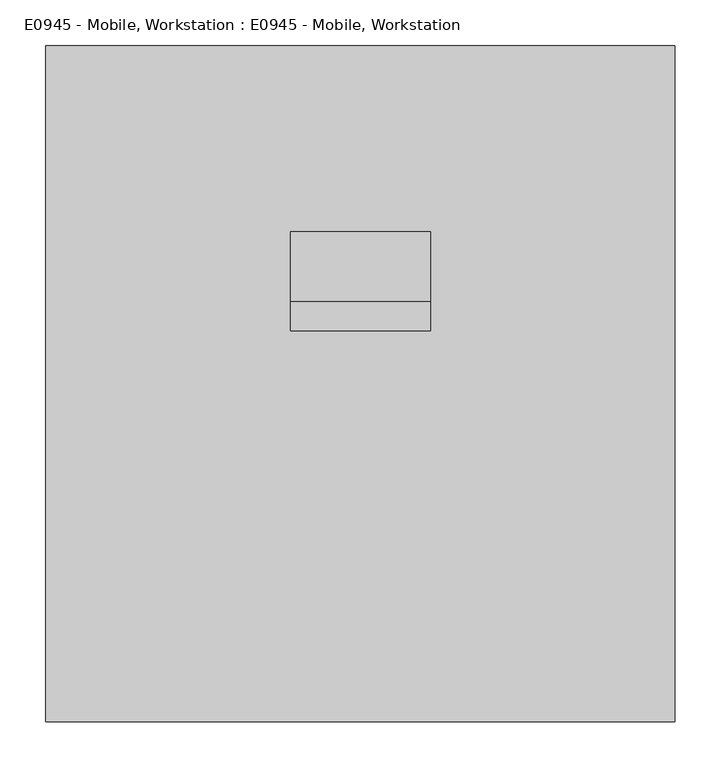
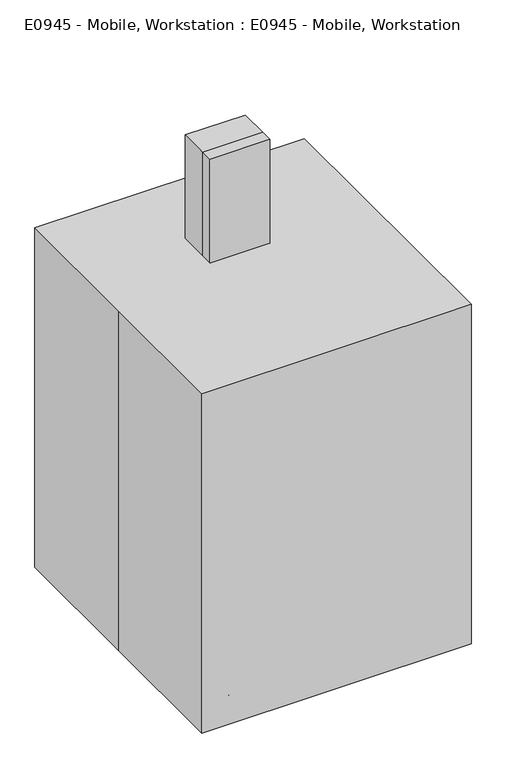
"""IFC4 building model written with IfcOpenShell, lengths in millimetres: proxy geometry, E0945 - Mobile, Workstation : E0945 - Mobile, Workstation."""

import ifcopenshell
import ifcopenshell.guid

model = None  # the IFC model being written
_history = None  # IfcOwnerHistory: only IFC2X3 demands one
_inside = {}  # id of a spatial element -> (the spatial element, [elements in it])
_under = {}  # id of a project, library or spatial element -> (it, [spatial elements below it])
_declared = {}  # id of a project -> (the project, [libraries it declares])
_typed = {}  # id of a type object -> (the type object, [elements of that type])
_made_of = {}  # id of a material, layer set ... -> (it, [elements and type objects made of it])


def new_model(schema):
    """Start an empty IFC model of exactly this schema.

    Asked for "IFC4X3", IfcOpenShell would pick the latest addendum, in which some entities
    have other attributes; the version numbers below select the first issue.
    IFC2X3 requires an IfcOwnerHistory on every rooted entity: one is made here for all.
    """
    global model, _history
    if schema == "IFC4X3":
        model = ifcopenshell.file(schema_version=(4, 3, 0, 0))
    else:
        model = ifcopenshell.file(schema=schema)
    _inside.clear()
    _under.clear()
    _declared.clear()
    _typed.clear()
    _made_of.clear()
    _history = None
    if model.schema == "IFC2X3":
        org = make("IfcOrganization", Name="unknown")
        user = make(
            "IfcPersonAndOrganization",
            ThePerson=make("IfcPerson", FamilyName="unknown"),
            TheOrganization=org,
        )
        app = make(
            "IfcApplication",
            ApplicationDeveloper=org,
            Version="unknown",
            ApplicationFullName="unknown",
            ApplicationIdentifier="unknown",
        )
        _history = make(
            "IfcOwnerHistory",
            OwningUser=user,
            OwningApplication=app,
            ChangeAction="ADDED",
            CreationDate=0,
        )
    return model


def make(cls, **values):
    """One entity of the class cls with the attributes given. An attribute that is None is left unset."""
    return model.create_entity(
        cls, **{name: value for name, value in values.items() if value is not None}
    )


def rooted(cls, **values):
    """An entity with a GlobalId (a new one), such as an element, a storey or a relation."""
    return make(cls, GlobalId=ifcopenshell.guid.new(), OwnerHistory=_history, **values)


def si_unit(unit_type, name, prefix=None):
    """IfcSIUnit, for example si_unit("LENGTHUNIT", "METRE", prefix="MILLI")."""
    return make("IfcSIUnit", UnitType=unit_type, Prefix=prefix, Name=name)


def assignment(units):
    """IfcUnitAssignment: the units of a project."""
    return None if units is None else make("IfcUnitAssignment", Units=units)


def point(xyz):
    """IfcCartesianPoint."""
    return None if xyz is None else make("IfcCartesianPoint", Coordinates=xyz)


def direction(xyz):
    """IfcDirection."""
    return None if xyz is None else make("IfcDirection", DirectionRatios=xyz)


def frame(location, z_axis=None, x_axis=None):
    """IfcAxis2Placement3D, a coordinate frame: its origin and axes. An axis left out is left unset."""
    return make(
        "IfcAxis2Placement3D",
        Location=point(location),
        Axis=direction(z_axis),
        RefDirection=direction(x_axis),
    )


def frame_2d(location, x_axis=None):
    """IfcAxis2Placement2D, a coordinate frame in the plane: its origin and x axis."""
    return make(
        "IfcAxis2Placement2D", Location=point(location), RefDirection=direction(x_axis)
    )


def origin():
    """The frame at (0, 0, 0) with its axes left unset."""
    return frame((0.0, 0.0, 0.0))


def origin_with_axes():
    """The frame at (0, 0, 0) with the z axis (0, 0, 1) and the x axis (1, 0, 0) written out."""
    return frame((0.0, 0.0, 0.0), z_axis=(0.0, 0.0, 1.0), x_axis=(1.0, 0.0, 0.0))


def place(relative_to, where):
    """IfcLocalPlacement: puts the frame where relative to a parent placement (None: the world)."""
    return make(
        "IfcLocalPlacement", PlacementRelTo=relative_to, RelativePlacement=where
    )


def context(
    kind, dimensions, precision=None, world=None, true_north=None, identifier=None
):
    """IfcGeometricRepresentationContext, for example the 3D "Model" context."""
    return make(
        "IfcGeometricRepresentationContext",
        ContextIdentifier=identifier,
        ContextType=kind,
        CoordinateSpaceDimension=dimensions,
        Precision=precision,
        WorldCoordinateSystem=world,
        TrueNorth=true_north,
    )


def project(units=None, contexts=None):
    """IfcProject with its units and contexts."""
    return rooted(
        "IfcProject",
        Name="project",
        RepresentationContexts=contexts,
        UnitsInContext=assignment(units),
    )


def spatial(cls, under=None, at=None, **own):
    """A site, building, storey or space (cls), placed at a placement, below another one or the project."""
    s = rooted(cls, ObjectPlacement=at, **own)
    if under is not None:
        _under.setdefault(under.id(), (under, []))[1].append(s)
    return s


def polyline(points):
    """IfcPolyline through the points."""
    return make("IfcPolyline", Points=[point(p) for p in points])


def circle_curve(where, radius):
    """IfcCircle in the frame where."""
    return make("IfcCircle", Position=where, Radius=radius)


def trimmed(basis, trim1, trim2, sense, master):
    """IfcTrimmedCurve: the piece of a basis curve between two trims."""
    return make(
        "IfcTrimmedCurve",
        BasisCurve=basis,
        Trim1=trim1,
        Trim2=trim2,
        SenseAgreement=sense,
        MasterRepresentation=master,
    )


def segment(curve, same_sense, transition):
    """IfcCompositeCurveSegment."""
    return make(
        "IfcCompositeCurveSegment",
        Transition=transition,
        SameSense=same_sense,
        ParentCurve=curve,
    )


def composite_curve(segments, self_intersect=None):
    """IfcCompositeCurve: segments joined end to end."""
    return make("IfcCompositeCurve", Segments=segments, SelfIntersect=self_intersect)


def outline(outer, holes=None, kind="AREA"):
    """IfcArbitraryClosedProfileDef: a profile drawn as a closed curve; with holes, ...WithVoids."""
    if holes is None:
        return make("IfcArbitraryClosedProfileDef", ProfileType=kind, OuterCurve=outer)
    return make(
        "IfcArbitraryProfileDefWithVoids",
        ProfileType=kind,
        OuterCurve=outer,
        InnerCurves=holes,
    )


def extrude(swept, where, along, depth):
    """IfcExtrudedAreaSolid: the profile swept, set in the frame where, extruded along a direction by depth."""
    return make(
        "IfcExtrudedAreaSolid",
        SweptArea=swept,
        Position=where,
        ExtrudedDirection=direction(along),
        Depth=depth,
    )


def faces_of(points, faces, orient=None, outer=None):
    """IfcFace entities. A face is a list of loops; a loop is a list of indices into points, from 0.

    orient and outer hold one flag for each loop. By default every Orientation is true, the
    first loop of a face is its IfcFaceOuterBound and the others are IfcFaceBound.
    """
    made = []
    for i, loops in enumerate(faces):
        bounds = []
        for j, loop in enumerate(loops):
            is_outer = j == 0 if outer is None else outer[i][j]
            bounds.append(
                make(
                    "IfcFaceOuterBound" if is_outer else "IfcFaceBound",
                    Bound=make("IfcPolyLoop", Polygon=[points[k] for k in loop]),
                    Orientation=True if orient is None else orient[i][j],
                )
            )
        made.append(make("IfcFace", Bounds=bounds))
    return made


def faceted_brep(points, faces, orient=None, outer=None, voids=None):
    """IfcFacetedBrep: a solid bounded by flat faces; with voids (closed shells), ...WithVoids."""
    shared = [point(p) for p in points]
    hull = make("IfcClosedShell", CfsFaces=faces_of(shared, faces, orient, outer))
    if voids is None:
        return make("IfcFacetedBrep", Outer=hull)
    return make(
        "IfcFacetedBrepWithVoids",
        Outer=hull,
        Voids=[
            make(cls, CfsFaces=faces_of(shared, fs, o, b)) for cls, fs, o, b in voids
        ],
    )


def shape(context_of_items, identifier, shape_type, items):
    """IfcShapeRepresentation: the items that make up one representation, for example the "Body"."""
    return make(
        "IfcShapeRepresentation",
        ContextOfItems=context_of_items,
        RepresentationIdentifier=identifier,
        RepresentationType=shape_type,
        Items=items,
    )


def source(mapping_origin, context_of_items, identifier, shape_type, items):
    """IfcRepresentationMap: a shape defined once, which mapped items show again and again."""
    return make(
        "IfcRepresentationMap",
        MappingOrigin=mapping_origin,
        MappedRepresentation=shape(context_of_items, identifier, shape_type, items),
    )


def transform(
    local_origin,
    x_axis=None,
    y_axis=None,
    z_axis=None,
    scale=None,
    scale2=None,
    scale3=None,
    uniform=True,
):
    """IfcCartesianTransformationOperator3D, or its non-uniform kind. x_axis, y_axis, z_axis: its Axis1, 2, 3."""
    if uniform:
        return make(
            "IfcCartesianTransformationOperator3D",
            Axis1=direction(x_axis),
            Axis2=direction(y_axis),
            LocalOrigin=point(local_origin),
            Scale=scale,
            Axis3=direction(z_axis),
        )
    return make(
        "IfcCartesianTransformationOperator3DnonUniform",
        Axis1=direction(x_axis),
        Axis2=direction(y_axis),
        LocalOrigin=point(local_origin),
        Scale=scale,
        Axis3=direction(z_axis),
        Scale2=scale2,
        Scale3=scale3,
    )


def mapped(mapping_source, mapping_target):
    """IfcMappedItem: shows the shape of a source again, moved by a transform."""
    return make(
        "IfcMappedItem", MappingSource=mapping_source, MappingTarget=mapping_target
    )


def made_of(thing, what):
    """Note that an element or type object is made of a material, layer set ...; save() writes the relation."""
    if what is not None:
        _made_of.setdefault(what.id(), (what, []))[1].append(thing)
    return thing


def element(
    cls,
    number,
    at=None,
    inside=None,
    cuts=None,
    type_object=None,
    material=None,
    context=None,
    identifier="Body",
    shape_type=None,
    held_by="IfcProductDefinitionShape",
    body=None,
    shapes=None,
    **own,
):
    """One element of the class cls, such as IfcWall. Its Tag is "e" and its number.

    at: its placement. inside: the storey or other place that contains it. cuts: it is an
    opening in that element (IfcRelVoidsElement). A single representation is given by context,
    identifier, shape_type and body (its items); several are given by shapes. held_by: the class
    of the entity that holds the representations. save() writes the other relations.
    """
    e = rooted(cls, Tag="e%d" % number, ObjectPlacement=at, **own)
    if body is not None:
        shapes = [shape(context, identifier, shape_type, body)]
    if shapes is not None:
        e.Representation = make(held_by, Representations=shapes)
    if inside is not None:
        _inside.setdefault(inside.id(), (inside, []))[1].append(e)
    if cuts is not None:
        rooted(
            "IfcRelVoidsElement", RelatingBuildingElement=cuts, RelatedOpeningElement=e
        )
    if type_object is not None:
        _typed.setdefault(type_object.id(), (type_object, []))[1].append(e)
    return made_of(e, material)


def aggregate(whole, parts):
    """IfcRelAggregates: a whole, such as a stair, and the parts it consists of."""
    return rooted("IfcRelAggregates", RelatingObject=whole, RelatedObjects=parts)


def save(model, path):
    """Write the relations noted so far, then the file.

    IfcRelAggregates (storeys below a building ...), IfcRelContainedInSpatialStructure (elements
    in a storey), IfcRelDefinesByType, IfcRelAssociatesMaterial and IfcRelDeclares: one each for
    every whole, place, type object, material and project.
    """
    for whole, parts in _under.values():
        aggregate(whole, parts)
    for where, things in _inside.values():
        rooted(
            "IfcRelContainedInSpatialStructure",
            RelatedElements=things,
            RelatingStructure=where,
        )
    for kind, things in _typed.values():
        rooted("IfcRelDefinesByType", RelatedObjects=things, RelatingType=kind)
    for what, things in _made_of.values():
        rooted("IfcRelAssociatesMaterial", RelatedObjects=things, RelatingMaterial=what)
    for by, libraries in _declared.values():
        rooted("IfcRelDeclares", RelatingContext=by, RelatedDefinitions=libraries)
    model.write(path)


def e0945_mobile_workstation_e0945_mobile_workstation_0c41a28f(model_context):
    return source(origin(), model_context, "Body", "SolidModel", [
        extrude(outline(polyline([(-196.85, 635.0), (58.0280886, 635.0), (58.0280886, 444.5), (-196.85, 609.6), (-196.85, 635.0)])), frame((57.15, 0.0, 0.0), z_axis=(1.0, 0.0, 0.0), x_axis=(0.0, 1.0, 0.0)), (0.0, 0.0, 1.0), 19.05),
        faceted_brep([(211.1375, -4.7625, 644.525), (211.1375, -4.7625, 639.7625), (211.1375, -255.5875, 639.7625), (211.1375, -255.5875, 644.525), (215.9, 0.0, 644.525), (215.9, -260.35, 644.525), (215.9, -260.35, 635.0), (215.9, 0.0, 635.0), (-211.1375, -255.5875, 639.7625), (-211.1375, -255.5875, 644.525), (-215.9, -260.35, 644.525), (-215.9, -260.35, 635.0), (-211.1375, -4.7625, 639.7625), (-211.1375, -4.7625, 644.525), (-215.9, 0.0, 644.525), (-215.9, 0.0, 635.0)], [[[0, 1, 2, 3]], [[4, 5, 6, 7]], [[3, 2, 8, 9]], [[6, 5, 10, 11]], [[9, 8, 12, 13]], [[11, 10, 14, 15]], [[1, 0, 13, 12]], [[5, 4, 14, 10], [0, 3, 9, 13]], [[4, 7, 15, 14]], [[7, 6, 11, 15]], [[2, 1, 12, 8]]]),
        extrude(outline(polyline([(-196.85, 635.0), (58.0280886, 635.0), (58.0280886, 444.5), (-196.85, 609.6), (-196.85, 635.0)])), frame((-76.2, 0.0, 0.0), z_axis=(1.0, 0.0, 0.0), x_axis=(0.0, 1.0, 0.0)), (0.0, 0.0, 1.0), 19.05),
        extrude(outline(polyline([(76.2, 89.7780886), (76.2, 58.0280886), (-76.2, 58.0280886), (-76.2, 89.7780886), (76.2, 89.7780886)])), frame((0.0, 0.0, 444.5), z_axis=(0.0, 0.0, 1.0), x_axis=(1.0, 0.0, 0.0)), (0.0, 0.0, 1.0), 749.3),
        extrude(outline(composite_curve([segment(polyline([(165.9780886, 1193.8), (165.9780886, 139.7), (62.2305834, 139.7)]), True, "CONTINUOUS"), segment(trimmed(circle_curve(frame_2d((29.5735373, 190.9359281)), 60.7585631), [point((62.2305834, 139.7))], [point((89.7780886, 182.7496596))], True, "CARTESIAN"), True, "CONTINUOUS"), segment(polyline([(89.7780886, 182.7496596), (89.7780886, 1193.8), (165.9780886, 1193.8)]), True, "CONTINUOUS")], self_intersect=False)), frame((-76.2, 0.0, 0.0), z_axis=(1.0, 0.0, 0.0), x_axis=(0.0, 1.0, 0.0)), (0.0, 0.0, 1.0), 152.4),
        extrude(outline(composite_curve([segment(trimmed(circle_curve(frame_2d((-215.9, 257.2471418)), 9.525), [point((-206.375, 257.2471418))], [point((-225.425, 257.2471418))], False, "CARTESIAN"), True, "CONTINUOUS"), segment(trimmed(circle_curve(frame_2d((-215.9, 257.2471418)), 9.525), [point((-225.425, 257.2471418))], [point((-206.375, 257.2471418))], False, "CARTESIAN"), True, "CONTINUOUS")], self_intersect=False)), frame((0.0, 0.0, 38.9774203), z_axis=(0.0, 0.0, 1.0), x_axis=(1.0, 0.0, 0.0)), (0.0, 0.0, 1.0), 49.9225797),
        extrude(outline(composite_curve([segment(trimmed(circle_curve(frame_2d((260.2876401, 38.1)), 38.1), [point((298.3876401, 38.1))], [point((222.1876401, 38.1))], False, "CARTESIAN"), True, "CONTINUOUS"), segment(trimmed(circle_curve(frame_2d((260.2876401, 38.1)), 38.1), [point((222.1876401, 38.1))], [point((298.3876401, 38.1))], False, "CARTESIAN"), True, "CONTINUOUS")], self_intersect=False)), frame((-206.375, 0.0, 0.0), z_axis=(1.0, 0.0, 0.0), x_axis=(0.0, 1.0, 0.0)), (0.0, 0.0, 1.0), 9.525),
        extrude(outline(composite_curve([segment(trimmed(circle_curve(frame_2d((260.35, 38.1)), 19.05), [point((279.4, 38.1))], [point((241.3, 38.1))], False, "CARTESIAN"), True, "CONTINUOUS"), segment(trimmed(circle_curve(frame_2d((260.35, 38.1)), 19.05), [point((241.3, 38.1))], [point((279.4, 38.1))], False, "CARTESIAN"), True, "CONTINUOUS")], self_intersect=False)), frame((-225.425, 0.0, 0.0), z_axis=(1.0, 0.0, 0.0), x_axis=(0.0, 1.0, 0.0)), (0.0, 0.0, 1.0), 19.05),
        extrude(outline(composite_curve([segment(trimmed(circle_curve(frame_2d((260.2876401, 38.1)), 38.1), [point((298.3876401, 38.1))], [point((222.1876401, 38.1))], False, "CARTESIAN"), True, "CONTINUOUS"), segment(trimmed(circle_curve(frame_2d((260.2876401, 38.1)), 38.1), [point((222.1876401, 38.1))], [point((298.3876401, 38.1))], False, "CARTESIAN"), True, "CONTINUOUS")], self_intersect=False)), frame((-234.95, 0.0, 0.0), z_axis=(1.0, 0.0, 0.0), x_axis=(0.0, 1.0, 0.0)), (0.0, 0.0, 1.0), 9.525),
        extrude(outline(composite_curve([segment(trimmed(circle_curve(frame_2d((-215.9, -257.2471418)), 9.525), [point((-206.375, -257.2471418))], [point((-225.425, -257.2471418))], False, "CARTESIAN"), True, "CONTINUOUS"), segment(trimmed(circle_curve(frame_2d((-215.9, -257.2471418)), 9.525), [point((-225.425, -257.2471418))], [point((-206.375, -257.2471418))], False, "CARTESIAN"), True, "CONTINUOUS")], self_intersect=False)), frame((0.0, 0.0, 38.9774203), z_axis=(0.0, 0.0, 1.0), x_axis=(1.0, 0.0, 0.0)), (0.0, 0.0, 1.0), 49.9225797),
        extrude(outline(composite_curve([segment(trimmed(circle_curve(frame_2d((-260.2876401, 38.1)), 38.1), [point((-298.3876401, 38.1))], [point((-222.1876401, 38.1))], False, "CARTESIAN"), True, "CONTINUOUS"), segment(trimmed(circle_curve(frame_2d((-260.2876401, 38.1)), 38.1), [point((-222.1876401, 38.1))], [point((-298.3876401, 38.1))], False, "CARTESIAN"), True, "CONTINUOUS")], self_intersect=False)), frame((-206.375, 0.0, 0.0), z_axis=(1.0, 0.0, 0.0), x_axis=(0.0, 1.0, 0.0)), (0.0, 0.0, 1.0), 9.525),
        extrude(outline(composite_curve([segment(trimmed(circle_curve(frame_2d((-260.35, 38.1)), 19.05), [point((-279.4, 38.1))], [point((-241.3, 38.1))], False, "CARTESIAN"), True, "CONTINUOUS"), segment(trimmed(circle_curve(frame_2d((-260.35, 38.1)), 19.05), [point((-241.3, 38.1))], [point((-279.4, 38.1))], False, "CARTESIAN"), True, "CONTINUOUS")], self_intersect=False)), frame((-225.425, 0.0, 0.0), z_axis=(1.0, 0.0, 0.0), x_axis=(0.0, 1.0, 0.0)), (0.0, 0.0, 1.0), 19.05),
        extrude(outline(composite_curve([segment(trimmed(circle_curve(frame_2d((-260.2876401, 38.1)), 38.1), [point((-298.3876401, 38.1))], [point((-222.1876401, 38.1))], False, "CARTESIAN"), True, "CONTINUOUS"), segment(trimmed(circle_curve(frame_2d((-260.2876401, 38.1)), 38.1), [point((-222.1876401, 38.1))], [point((-298.3876401, 38.1))], False, "CARTESIAN"), True, "CONTINUOUS")], self_intersect=False)), frame((-234.95, 0.0, 0.0), z_axis=(1.0, 0.0, 0.0), x_axis=(0.0, 1.0, 0.0)), (0.0, 0.0, 1.0), 9.525),
        extrude(outline(composite_curve([segment(trimmed(circle_curve(frame_2d((215.9, 257.2471418)), 9.525), [point((206.375, 257.2471418))], [point((225.425, 257.2471418))], False, "CARTESIAN"), True, "CONTINUOUS"), segment(trimmed(circle_curve(frame_2d((215.9, 257.2471418)), 9.525), [point((225.425, 257.2471418))], [point((206.375, 257.2471418))], False, "CARTESIAN"), True, "CONTINUOUS")], self_intersect=False)), frame((0.0, 0.0, 38.9774203), z_axis=(0.0, 0.0, 1.0), x_axis=(1.0, 0.0, 0.0)), (0.0, 0.0, 1.0), 49.9225797),
        extrude(outline(composite_curve([segment(trimmed(circle_curve(frame_2d((260.2876401, 38.1)), 38.1), [point((298.3876401, 38.1))], [point((222.1876401, 38.1))], False, "CARTESIAN"), True, "CONTINUOUS"), segment(trimmed(circle_curve(frame_2d((260.2876401, 38.1)), 38.1), [point((222.1876401, 38.1))], [point((298.3876401, 38.1))], False, "CARTESIAN"), True, "CONTINUOUS")], self_intersect=False)), frame((196.85, 0.0, 0.0), z_axis=(1.0, 0.0, 0.0), x_axis=(0.0, 1.0, 0.0)), (0.0, 0.0, 1.0), 9.525),
        extrude(outline(composite_curve([segment(trimmed(circle_curve(frame_2d((260.35, 38.1)), 19.05), [point((279.4, 38.1))], [point((241.3, 38.1))], False, "CARTESIAN"), True, "CONTINUOUS"), segment(trimmed(circle_curve(frame_2d((260.35, 38.1)), 19.05), [point((241.3, 38.1))], [point((279.4, 38.1))], False, "CARTESIAN"), True, "CONTINUOUS")], self_intersect=False)), frame((206.375, 0.0, 0.0), z_axis=(1.0, 0.0, 0.0), x_axis=(0.0, 1.0, 0.0)), (0.0, 0.0, 1.0), 19.05),
        extrude(outline(composite_curve([segment(trimmed(circle_curve(frame_2d((260.2876401, 38.1)), 38.1), [point((298.3876401, 38.1))], [point((222.1876401, 38.1))], False, "CARTESIAN"), True, "CONTINUOUS"), segment(trimmed(circle_curve(frame_2d((260.2876401, 38.1)), 38.1), [point((222.1876401, 38.1))], [point((298.3876401, 38.1))], False, "CARTESIAN"), True, "CONTINUOUS")], self_intersect=False)), frame((225.425, 0.0, 0.0), z_axis=(1.0, 0.0, 0.0), x_axis=(0.0, 1.0, 0.0)), (0.0, 0.0, 1.0), 9.525),
        extrude(outline(composite_curve([segment(trimmed(circle_curve(frame_2d((215.9, -257.2471418)), 9.525), [point((206.375, -257.2471418))], [point((225.425, -257.2471418))], False, "CARTESIAN"), True, "CONTINUOUS"), segment(trimmed(circle_curve(frame_2d((215.9, -257.2471418)), 9.525), [point((225.425, -257.2471418))], [point((206.375, -257.2471418))], False, "CARTESIAN"), True, "CONTINUOUS")], self_intersect=False)), frame((0.0, 0.0, 38.9774203), z_axis=(0.0, 0.0, 1.0), x_axis=(1.0, 0.0, 0.0)), (0.0, 0.0, 1.0), 49.9225797),
        extrude(outline(composite_curve([segment(trimmed(circle_curve(frame_2d((-260.2876401, 38.1)), 38.1), [point((-298.3876401, 38.1))], [point((-222.1876401, 38.1))], False, "CARTESIAN"), True, "CONTINUOUS"), segment(trimmed(circle_curve(frame_2d((-260.2876401, 38.1)), 38.1), [point((-222.1876401, 38.1))], [point((-298.3876401, 38.1))], False, "CARTESIAN"), True, "CONTINUOUS")], self_intersect=False)), frame((196.85, 0.0, 0.0), z_axis=(1.0, 0.0, 0.0), x_axis=(0.0, 1.0, 0.0)), (0.0, 0.0, 1.0), 9.525),
        extrude(outline(composite_curve([segment(trimmed(circle_curve(frame_2d((-260.35, 38.1)), 19.05), [point((-279.4, 38.1))], [point((-241.3, 38.1))], False, "CARTESIAN"), True, "CONTINUOUS"), segment(trimmed(circle_curve(frame_2d((-260.35, 38.1)), 19.05), [point((-241.3, 38.1))], [point((-279.4, 38.1))], False, "CARTESIAN"), True, "CONTINUOUS")], self_intersect=False)), frame((206.375, 0.0, 0.0), z_axis=(1.0, 0.0, 0.0), x_axis=(0.0, 1.0, 0.0)), (0.0, 0.0, 1.0), 19.05),
        extrude(outline(composite_curve([segment(trimmed(circle_curve(frame_2d((-260.2876401, 38.1)), 38.1), [point((-298.3876401, 38.1))], [point((-222.1876401, 38.1))], False, "CARTESIAN"), True, "CONTINUOUS"), segment(trimmed(circle_curve(frame_2d((-260.2876401, 38.1)), 38.1), [point((-222.1876401, 38.1))], [point((-298.3876401, 38.1))], False, "CARTESIAN"), True, "CONTINUOUS")], self_intersect=False)), frame((225.425, 0.0, 0.0), z_axis=(1.0, 0.0, 0.0), x_axis=(0.0, 1.0, 0.0)), (0.0, 0.0, 1.0), 9.525),
        extrude(outline(composite_curve([segment(polyline([(93.9865963, 192.9187071), (176.6628647, 292.6165602)]), True, "CONTINUOUS"), segment(trimmed(circle_curve(frame_2d((215.7665691, 260.189098)), 50.8), [point((176.6628647, 292.6165602))], [point((254.8702735, 227.7616359))], False, "CARTESIAN"), True, "CONTINUOUS"), segment(polyline([(254.8702735, 227.7616359), (152.4, 104.1945414), (152.4, -104.1945414), (254.8702735, -227.7616359)]), True, "CONTINUOUS"), segment(trimmed(circle_curve(frame_2d((215.7665691, -260.189098)), 50.8), [point((254.8702735, -227.7616359))], [point((176.6628647, -292.6165602))], False, "CARTESIAN"), True, "CONTINUOUS"), segment(polyline([(176.6628647, -292.6165602), (53.1141065, -143.6312929), (-53.1141065, -143.6312929), (-176.6628647, -292.6165602)]), True, "CONTINUOUS"), segment(trimmed(circle_curve(frame_2d((-215.7665691, -260.189098)), 50.8), [point((-176.6628647, -292.6165602))], [point((-254.8702735, -227.7616359))], False, "CARTESIAN"), True, "CONTINUOUS"), segment(polyline([(-254.8702735, -227.7616359), (-152.4, -104.1945414), (-152.4, 104.1945414), (-254.8702735, 227.7616359)]), True, "CONTINUOUS"), segment(trimmed(circle_curve(frame_2d((-215.7665691, 260.189098)), 50.8), [point((-254.8702735, 227.7616359))], [point((-176.6628647, 292.6165602))], False, "CARTESIAN"), True, "CONTINUOUS"), segment(polyline([(-176.6628647, 292.6165602), (-93.9865963, 192.9187071), (93.9865963, 192.9187071)]), True, "CONTINUOUS")], self_intersect=False)), frame((0.0, 0.0, 88.9), z_axis=(0.0, 0.0, 1.0), x_axis=(1.0, 0.0, 0.0)), (0.0, 0.0, 1.0), 50.8),
        extrude(outline(polyline([(-342.9, 368.3), (342.9, 368.3), (342.9, -368.3), (-342.9, -368.3), (-342.9, 0.0), (-342.9, 368.3)])), origin_with_axes(), (0.0, 0.0, 1.0), 914.4),
    ])


if __name__ == "__main__":
    model = new_model("IFC4")
    model_context = context("Model", 3, world=origin())
    ifc_project = project(units=[si_unit("LENGTHUNIT", "METRE", prefix="MILLI")], contexts=[model_context])
    site = spatial("IfcSite", under=ifc_project)
    building = spatial("IfcBuilding", under=site)
    placement = place(None, origin())
    e0945_mobile_workstation_e0945_mobile_workstation_shape = e0945_mobile_workstation_e0945_mobile_workstation_0c41a28f(model_context)
    element("IfcBuildingElementProxy", 1, Name="E0945 - Mobile, Workstation : E0945 - Mobile, Workstation", ObjectType="E0945 - Mobile, Workstation : E0945 - Mobile, Workstation", at=placement, inside=building, context=model_context, shape_type="MappedRepresentation", body=[
        mapped(e0945_mobile_workstation_e0945_mobile_workstation_shape, transform((0.0, 0.0, 0.0), x_axis=(1.0, 0.0, 0.0), y_axis=(0.0, 1.0, 0.0), z_axis=(0.0, 0.0, 1.0))),
    ])
    save(model, "model.ifc")
